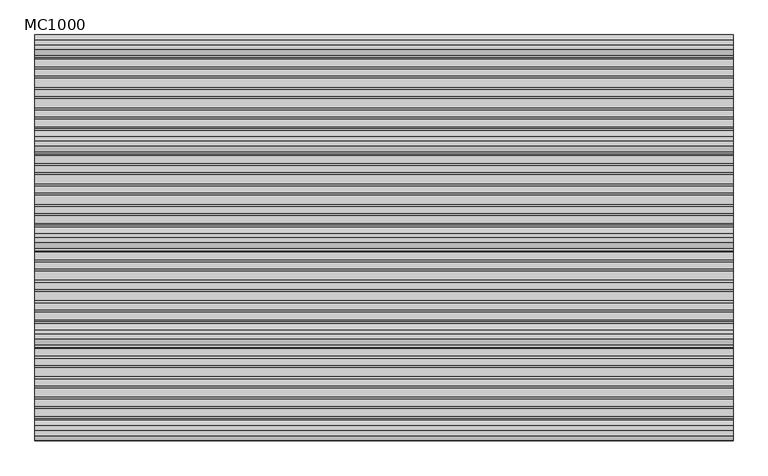
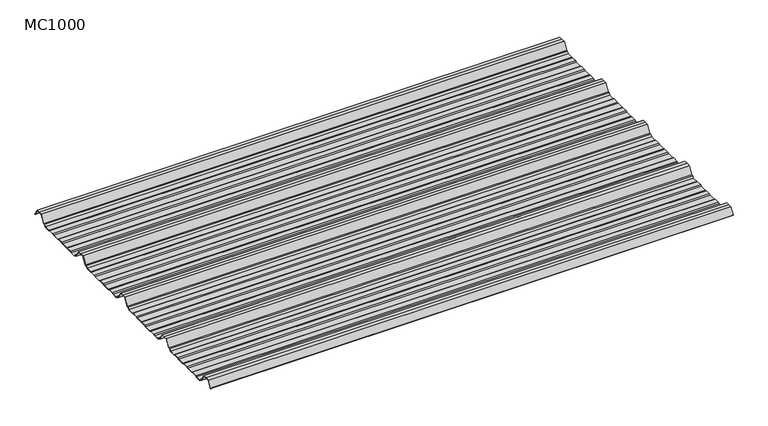
"""IFC4 building model written with IfcOpenShell, lengths in millimetres: beam geometry, MC1000."""

from ifc_helpers import new_model, si_unit, point, frame, frame_2d, origin, place, context, project, spatial, polyline, circle_curve, trimmed, segment, composite_curve, outline, extrude, source, transform, mapped, element, save


def mc1000_d0858702(model_context):
    return source(origin(), model_context, "Body", "SweptSolid", [
        extrude(outline(composite_curve([segment(polyline([(-57.5, -25.7896475), (-62.9661678, -23.7896473), (-80.9151087, -23.7896473), (-86.3812767, -25.7896475), (-110.5593616, -25.7896475), (-116.0255296, -23.7896472), (-133.97447, -23.7896472), (-139.4406384, -25.7896475), (-163.6187233, -25.7896475), (-169.0848913, -23.7896473), (-187.0338322, -23.7896473), (-192.5, -25.7896475), (-213.5, -25.7896475), (-217.6210251, -19.137021), (-222.9746775, -19.137021), (-238.0568616, 5.2103525), (-250.0, 5.2103525), (-261.9431384, 5.2103525), (-277.0253225, -19.137021), (-282.3789749, -19.137021), (-286.5, -25.7896475), (-307.5, -25.7896475), (-312.9661678, -23.7896473), (-330.9151087, -23.7896473), (-336.3812767, -25.7896475), (-360.5593616, -25.7896475), (-366.0255296, -23.7896473), (-383.97447, -23.7896473), (-389.4406384, -25.7896475), (-413.6187233, -25.7896475), (-419.0848913, -23.7896473), (-437.0338322, -23.7896473), (-442.5, -25.7896475), (-463.5, -25.7896475), (-467.6210251, -19.137021), (-472.9746775, -19.137021), (-488.0568616, 5.2103525), (-500.0, 5.2103525), (-511.9431384, 5.2103525), (-527.0253225, -19.137021), (-532.3789749, -19.137021), (-536.5, -25.7896475), (-557.5, -25.7896475), (-562.9661678, -23.7896473), (-580.9151087, -23.7896473), (-586.3812767, -25.7896475), (-610.5593616, -25.7896475), (-616.0255296, -23.7896473), (-633.97447, -23.7896473), (-639.4406384, -25.7896475), (-663.6187233, -25.7896475), (-669.0848913, -23.7896473), (-687.0338322, -23.7896473), (-692.5, -25.7896475), (-713.5, -25.7896475), (-717.6210251, -19.137021), (-722.9746775, -19.137021), (-738.0568616, 5.2103525), (-750.0, 5.2103525), (-761.9431384, 5.2103525), (-777.0253225, -19.137021), (-782.3789749, -19.137021), (-786.5, -25.7896475), (-807.5, -25.7896475), (-812.9661678, -23.7896473), (-830.9151087, -23.7896473), (-836.3812767, -25.7896475), (-860.5593616, -25.7896475), (-866.0255296, -23.7896473), (-883.97447, -23.7896473), (-889.4406384, -25.7896475), (-913.6187233, -25.7896475), (-919.0848913, -23.7896473), (-937.0338322, -23.7896473), (-942.5, -25.7896475), (-963.5, -25.7896475), (-967.6210251, -19.137021), (-972.9746775, -19.137021), (-988.0568616, 5.2103525), (-1000.0, 5.2103525), (-1011.9431384, 5.2103525), (-1025.3430666, -16.4213326)]), True, "CONTINUOUS"), segment(trimmed(circle_curve(frame_2d((-1025.768121, -16.1580291)), 0.5), [point((-1025.3430666, -16.4213326))], [point((-1026.1931754, -15.8947256))], False, "CARTESIAN"), True, "CONTINUOUS"), segment(polyline([(-1026.1931754, -15.8947256), (-1012.5, 6.2103525), (-1000.0, 6.2103525), (-987.5, 6.2103525), (-972.4178159, -18.137021), (-967.0641635, -18.137021), (-962.9431384, -24.7896475), (-942.6771992, -24.7896475), (-937.2110314, -22.7896473), (-918.9076926, -22.7896473), (-913.4415242, -24.7896475), (-889.6178376, -24.7896475), (-884.1516696, -22.7896475), (-865.8483309, -22.7896475), (-860.3821624, -24.7896475), (-836.5584758, -24.7896475), (-831.0923074, -22.7896473), (-812.7889686, -22.7896473), (-807.3228008, -24.7896475), (-787.0568616, -24.7896475), (-782.9358365, -18.137021), (-777.5821841, -18.137021), (-762.5, 6.2103525), (-750.0, 6.2103525), (-737.5, 6.2103525), (-722.4178159, -18.137021), (-717.0641635, -18.137021), (-712.9431384, -24.7896475), (-692.6771992, -24.7896475), (-687.2110314, -22.7896473), (-668.9076926, -22.7896473), (-663.4415242, -24.7896475), (-639.6178376, -24.7896475), (-634.1516696, -22.7896475), (-615.8483309, -22.7896475), (-610.3821624, -24.7896475), (-586.5584758, -24.7896475), (-581.0923074, -22.7896473), (-562.7889686, -22.7896473), (-557.3228008, -24.7896475), (-537.0568616, -24.7896475), (-532.9358365, -18.137021), (-527.5821841, -18.137021), (-512.5, 6.2103525), (-500.0, 6.2103525), (-487.5, 6.2103525), (-472.4178159, -18.137021), (-467.0641635, -18.137021), (-462.9431384, -24.7896475), (-442.6771992, -24.7896475), (-437.2110314, -22.7896473), (-418.9076926, -22.7896473), (-413.4415242, -24.7896475), (-389.6178376, -24.7896475), (-384.1516696, -22.7896475), (-365.8483309, -22.7896475), (-360.3821624, -24.7896475), (-336.5584758, -24.7896475), (-331.0923074, -22.7896473), (-312.7889686, -22.7896473), (-307.3228008, -24.7896475), (-287.0568616, -24.7896475), (-282.9358365, -18.137021), (-277.5821841, -18.137021), (-262.5, 6.2103526), (-250.0, 6.2103526), (-237.5, 6.2103526), (-222.4178159, -18.137021), (-217.0641635, -18.137021), (-212.9431384, -24.7896475), (-192.6771992, -24.7896475), (-187.2110314, -22.7896473), (-168.9076926, -22.7896473), (-163.4415242, -24.7896475), (-139.6178376, -24.7896475), (-134.1516696, -22.7896474), (-115.8483309, -22.7896474), (-110.3821624, -24.7896474), (-86.5584758, -24.7896474), (-81.0923074, -22.7896473), (-62.7889686, -22.7896473), (-57.3228008, -24.7896475), (-37.0568616, -24.7896475), (-32.9358365, -18.137021), (-27.5821841, -18.137021), (-12.5, 6.2103525), (0.0, 6.2103525), (12.5, 6.2103525), (26.1931754, -15.8947256)]), True, "CONTINUOUS"), segment(trimmed(circle_curve(frame_2d((25.768121, -16.1580291)), 0.5), [point((26.1931754, -15.8947256))], [point((25.3430666, -16.4213326))], False, "CARTESIAN"), True, "CONTINUOUS"), segment(polyline([(25.3430666, -16.4213326), (11.9431384, 5.2103525), (0.0, 5.2103525), (-11.9431384, 5.2103525), (-27.0253225, -19.137021), (-32.3789749, -19.137021), (-36.5, -25.7896475), (-57.5, -25.7896475)]), True, "CONTINUOUS")], self_intersect=False)), frame((-905.0, 0.0, 0.0), z_axis=(1.0, 0.0, 0.0), x_axis=(0.0, 1.0, 0.0)), (0.0, 0.0, 1.0), 1810.0),
    ])


if __name__ == "__main__":
    model = new_model("IFC4")
    model_context = context("Model", 3, world=origin())
    ifc_project = project(units=[si_unit("LENGTHUNIT", "METRE", prefix="MILLI")], contexts=[model_context])
    site = spatial("IfcSite", under=ifc_project)
    building = spatial("IfcBuilding", under=site)
    placement = place(None, origin())
    mc1000_shape = mc1000_d0858702(model_context)
    element("IfcBeam", 1, ObjectType="MC1000", at=placement, inside=building, context=model_context, shape_type="MappedRepresentation", body=[
        mapped(mc1000_shape, transform((0.0, 0.0, 0.0), x_axis=(1.0, 0.0, 0.0), y_axis=(0.0, 1.0, 0.0), z_axis=(0.0, 0.0, 1.0))),
    ])
    save(model, "model.ifc")
